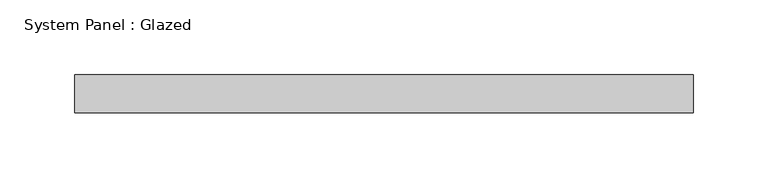
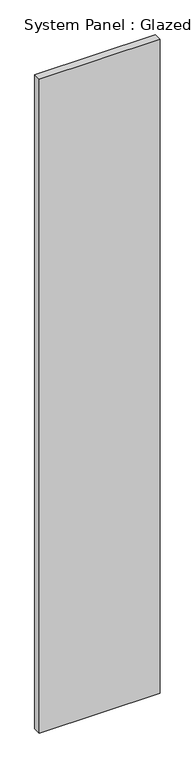
"""IFC4 building model written with IfcOpenShell, lengths in millimetres: plate geometry, System Panel : Glazed."""

from ifc_helpers import new_model, si_unit, origin, origin_with_axes, place, context, project, spatial, polyline, outline, extrude, source, transform, mapped, element, save


def system_panel_glazed_50a85d11(model_context):
    return source(origin(), model_context, "Body", "SweptSolid", [
        extrude(outline(polyline([(207.1576618, -12.7), (-207.1576618, -12.7), (-207.1576618, 12.7), (207.1576618, 12.7), (207.1576618, -12.7)])), origin_with_axes(), (0.0, 0.0, 1.0), 2367.7626),
    ])


if __name__ == "__main__":
    model = new_model("IFC4")
    model_context = context("Model", 3, world=origin())
    ifc_project = project(units=[si_unit("LENGTHUNIT", "METRE", prefix="MILLI")], contexts=[model_context])
    site = spatial("IfcSite", under=ifc_project)
    building = spatial("IfcBuilding", under=site)
    placement = place(None, origin())
    system_panel_glazed_shape = system_panel_glazed_50a85d11(model_context)
    element("IfcPlate", 1, ObjectType="System Panel : Glazed", at=placement, inside=building, context=model_context, shape_type="MappedRepresentation", body=[
        mapped(system_panel_glazed_shape, transform((0.0, 0.0, 0.0), x_axis=(1.0, 0.0, 0.0), y_axis=(0.0, 1.0, 0.0), z_axis=(0.0, 0.0, 1.0))),
    ])
    save(model, "model.ifc")
